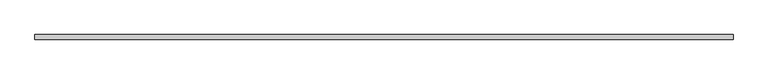
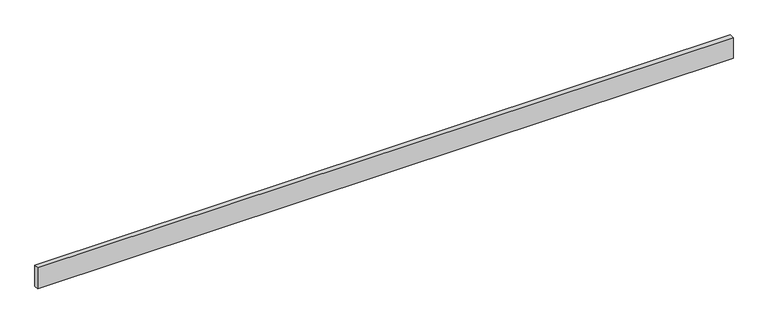
"""IFC4 building model written with IfcOpenShell, lengths in millimetres: beam geometry."""

from ifc_helpers import new_model, si_unit, frame, origin, place, context, project, spatial, polyline, outline, extrude, source, transform, mapped, element, save


def beam_98a30483(model_context):
    return source(origin(), model_context, "Body", "SweptSolid", [
        extrude(outline(polyline([(-2895.6, 19.05), (2895.6, 19.05), (2895.6, -19.05), (-2895.6, -19.05), (-2895.6, 19.05)])), frame((0.0, 0.0, -92.075), z_axis=(0.0, 0.0, 1.0), x_axis=(1.0, 0.0, 0.0)), (0.0, 0.0, 1.0), 184.15),
    ])


if __name__ == "__main__":
    model = new_model("IFC4")
    model_context = context("Model", 3, world=origin())
    ifc_project = project(units=[si_unit("LENGTHUNIT", "METRE", prefix="MILLI")], contexts=[model_context])
    site = spatial("IfcSite", under=ifc_project)
    building = spatial("IfcBuilding", under=site)
    placement = place(None, origin())
    beam_shape = beam_98a30483(model_context)
    element("IfcBeam", 1, at=placement, inside=building, context=model_context, shape_type="MappedRepresentation", body=[
        mapped(beam_shape, transform((0.0, 0.0, 0.0), x_axis=(1.0, 0.0, 0.0), y_axis=(0.0, 1.0, 0.0), z_axis=(0.0, 0.0, 1.0))),
    ])
    save(model, "model.ifc")
